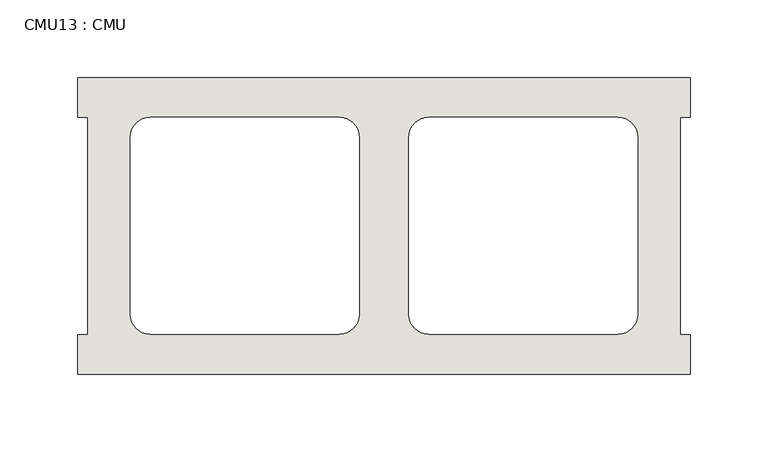
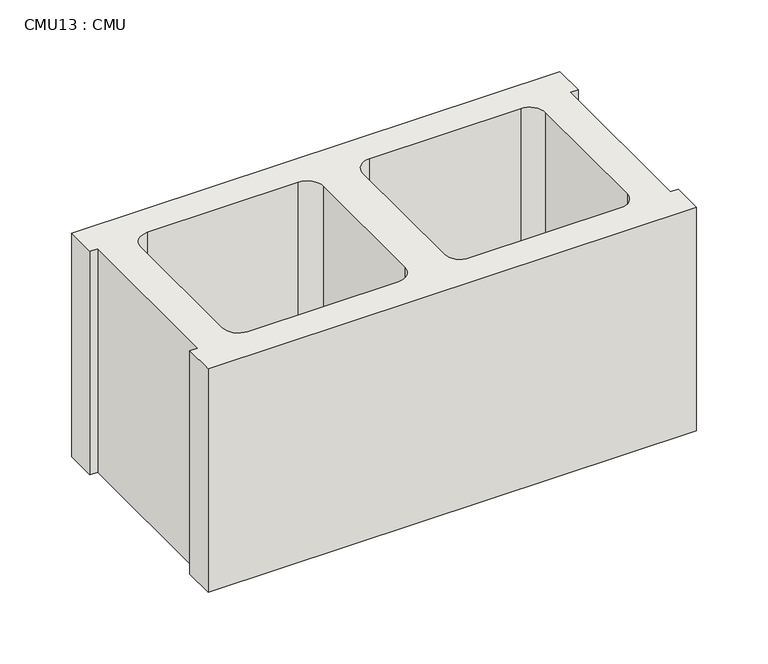
"""IFC4 building model written with IfcOpenShell, lengths in millimetres: wall geometry, CMU13 : CMU."""

from ifc_helpers import new_model, si_unit, point, frame, frame_2d, origin, place, context, project, spatial, polyline, circle_curve, trimmed, segment, composite_curve, outline, extrude, source, transform, mapped, element, save


def cmu13_cmu_98c4ce01(model_context):
    return source(origin(), model_context, "Body", "SweptSolid", [
        extrude(outline(polyline([(661.8602062, 2484.2276522), (1055.5602062, 2484.2276522), (1055.5602062, 2458.8276522), (1049.2102062, 2458.8276522), (1049.2102062, 2319.1276522), (1055.5602062, 2319.1276522), (1055.5602062, 2293.7276522), (661.8602062, 2293.7276522), (661.8602062, 2319.1276522), (668.2102062, 2319.1276522), (668.2102062, 2458.8276522), (661.8602062, 2458.8276522), (661.8602062, 2484.2276522)]), holes=[composite_curve([segment(polyline([(830.0282049, 2458.8276522), (708.3115548, 2458.8276522)]), True, "CONTINUOUS"), segment(trimmed(circle_curve(frame_2d((708.3115548, 2446.1276522)), 12.7), [point((708.3115548, 2458.8276522))], [point((695.6115548, 2446.1276522))], True, "CARTESIAN"), True, "CONTINUOUS"), segment(polyline([(695.6115548, 2446.1276522), (695.6115548, 2332.0618125)]), True, "CONTINUOUS"), segment(trimmed(circle_curve(frame_2d((708.3115548, 2332.0618125)), 12.7), [point((695.6115548, 2332.0618125))], [point((708.3115548, 2319.3618125))], True, "CARTESIAN"), True, "CONTINUOUS"), segment(polyline([(708.3115548, 2319.3618125), (830.0282049, 2319.3618125)]), True, "CONTINUOUS"), segment(trimmed(circle_curve(frame_2d((830.0282049, 2332.0618125)), 12.7), [point((830.0282049, 2319.3618125))], [point((842.7282049, 2332.0618125))], True, "CARTESIAN"), True, "CONTINUOUS"), segment(polyline([(842.7282049, 2332.0618125), (842.7282049, 2446.1276522)]), True, "CONTINUOUS"), segment(trimmed(circle_curve(frame_2d((830.0282049, 2446.1276522)), 12.7), [point((842.7282049, 2446.1276522))], [point((830.0282049, 2458.8276522))], True, "CARTESIAN"), True, "CONTINUOUS")], self_intersect=False), composite_curve([segment(trimmed(circle_curve(frame_2d((887.3922075, 2446.1276522)), 12.7), [point((887.3922075, 2458.8276522))], [point((874.6922075, 2446.1276522))], True, "CARTESIAN"), True, "CONTINUOUS"), segment(polyline([(874.6922075, 2446.1276522), (874.6922075, 2332.0618125)]), True, "CONTINUOUS"), segment(trimmed(circle_curve(frame_2d((887.3922075, 2332.0618125)), 12.7), [point((874.6922075, 2332.0618125))], [point((887.3922075, 2319.3618125))], True, "CARTESIAN"), True, "CONTINUOUS"), segment(polyline([(887.3922075, 2319.3618125), (1009.1088576, 2319.3618125)]), True, "CONTINUOUS"), segment(trimmed(circle_curve(frame_2d((1009.1088576, 2332.0618125)), 12.7), [point((1009.1088576, 2319.3618125))], [point((1021.8088576, 2332.0618125))], True, "CARTESIAN"), True, "CONTINUOUS"), segment(polyline([(1021.8088576, 2332.0618125), (1021.8088576, 2446.1276522)]), True, "CONTINUOUS"), segment(trimmed(circle_curve(frame_2d((1009.1088576, 2446.1276522)), 12.7), [point((1021.8088576, 2446.1276522))], [point((1009.1088576, 2458.8276522))], True, "CARTESIAN"), True, "CONTINUOUS"), segment(polyline([(1009.1088576, 2458.8276522), (887.3922075, 2458.8276522)]), True, "CONTINUOUS")], self_intersect=False)]), frame((0.0, 0.0, 723.9), z_axis=(0.0, 0.0, 1.0), x_axis=(1.0, 0.0, 0.0)), (0.0, 0.0, 1.0), 190.5),
    ])


if __name__ == "__main__":
    model = new_model("IFC4")
    model_context = context("Model", 3, world=origin())
    ifc_project = project(units=[si_unit("LENGTHUNIT", "METRE", prefix="MILLI")], contexts=[model_context])
    site = spatial("IfcSite", under=ifc_project)
    building = spatial("IfcBuilding", under=site)
    placement = place(None, origin())
    cmu13_cmu_shape = cmu13_cmu_98c4ce01(model_context)
    element("IfcWall", 1, ObjectType="CMU13 : CMU", at=placement, inside=building, context=model_context, shape_type="MappedRepresentation", body=[
        mapped(cmu13_cmu_shape, transform((0.0, 0.0, 0.0), x_axis=(1.0, 0.0, 0.0), y_axis=(0.0, 1.0, 0.0), z_axis=(0.0, 0.0, 1.0))),
    ])
    save(model, "model.ifc")
